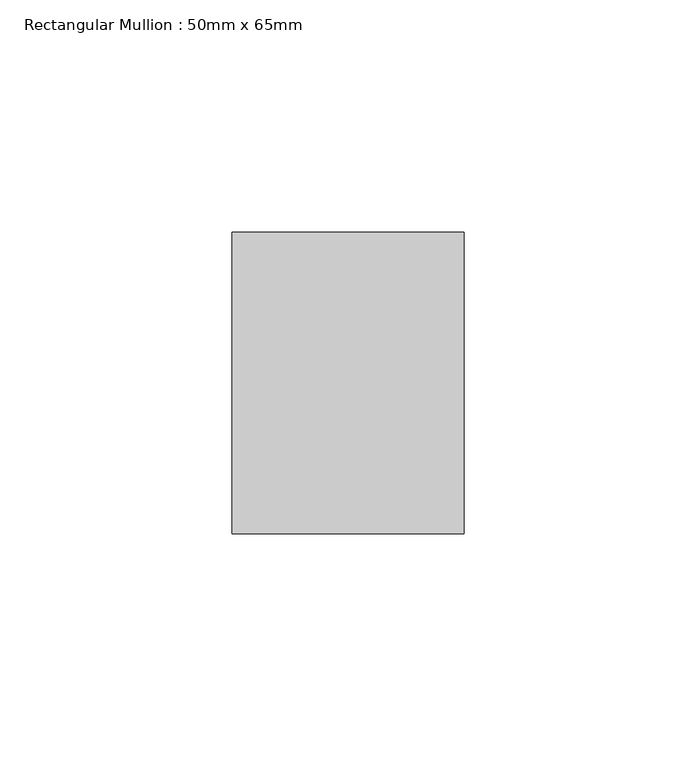
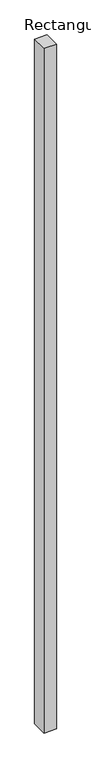
"""IFC4 building model written with IfcOpenShell, lengths in millimetres: member geometry, Rectangular Mullion : 50mm x 65mm."""

from ifc_helpers import new_model, si_unit, frame, origin, place, context, project, spatial, polyline, outline, extrude, source, transform, mapped, element, save


def rectangular_mullion_50mm_x_65mm_7f964a1e(model_context):
    return source(origin(), model_context, "Body", "SweptSolid", [
        extrude(outline(polyline([(25.0, 32.5), (25.0, -32.5), (-25.0, -32.5), (-25.0, 32.5), (25.0, 32.5)])), frame((0.0, 0.0, -2924.9795), z_axis=(0.0, 0.0, 1.0), x_axis=(1.0, 0.0, 0.0)), (0.0, 0.0, 1.0), 2924.9795),
    ])


if __name__ == "__main__":
    model = new_model("IFC4")
    model_context = context("Model", 3, world=origin())
    ifc_project = project(units=[si_unit("LENGTHUNIT", "METRE", prefix="MILLI")], contexts=[model_context])
    site = spatial("IfcSite", under=ifc_project)
    building = spatial("IfcBuilding", under=site)
    placement = place(None, origin())
    rectangular_mullion_50mm_x_65mm_shape = rectangular_mullion_50mm_x_65mm_7f964a1e(model_context)
    element("IfcMember", 1, ObjectType="Rectangular Mullion : 50mm x 65mm", at=placement, inside=building, context=model_context, shape_type="MappedRepresentation", body=[
        mapped(rectangular_mullion_50mm_x_65mm_shape, transform((0.0, 0.0, 0.0), x_axis=(1.0, 0.0, 0.0), y_axis=(0.0, 1.0, 0.0), z_axis=(0.0, 0.0, 1.0))),
    ])
    save(model, "model.ifc")
